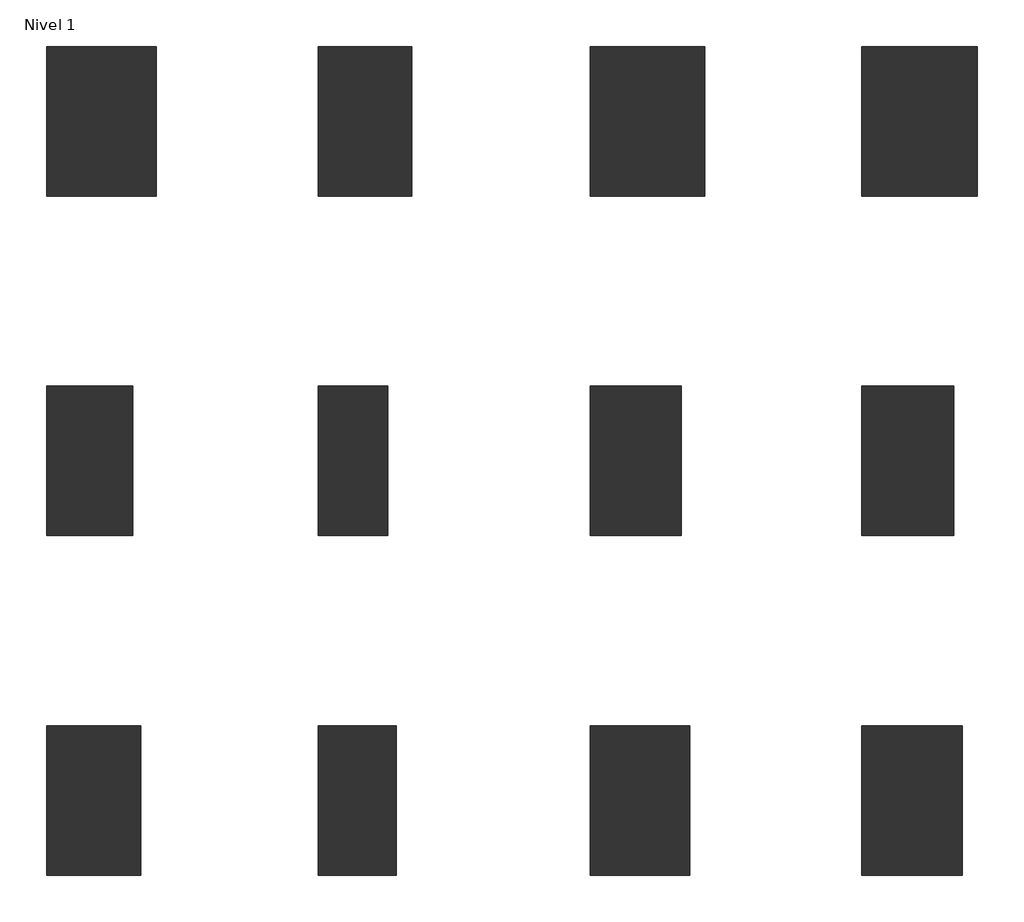
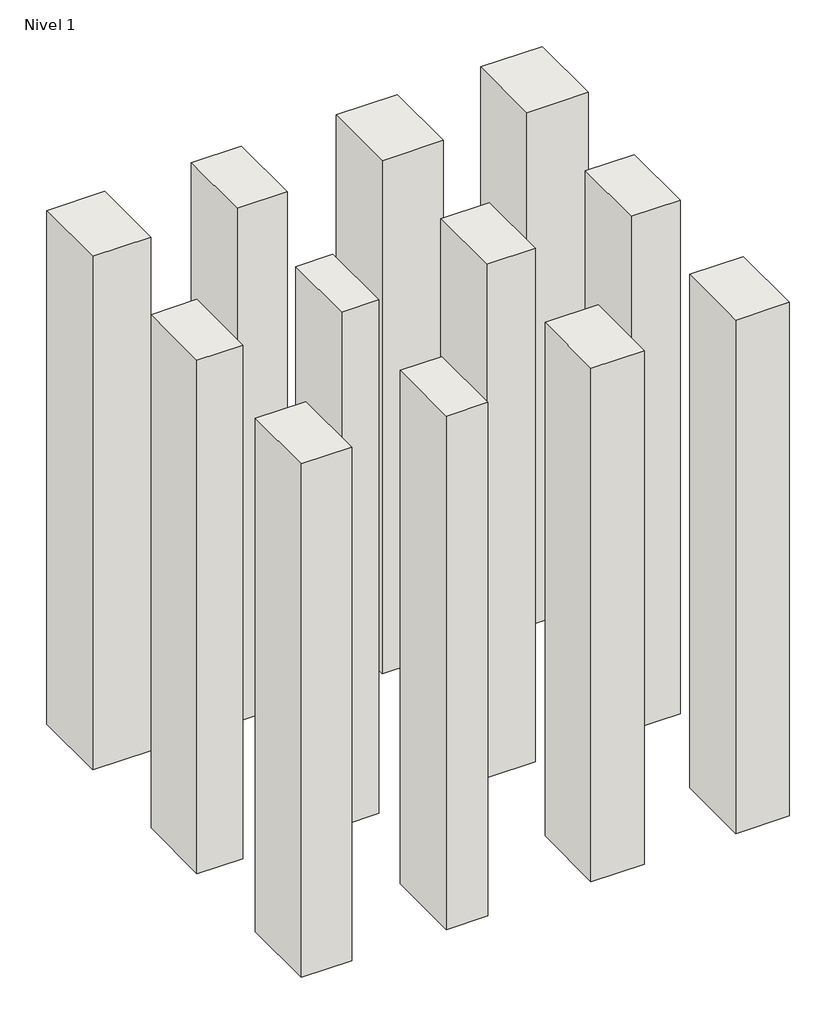
# One storey: 12 walls.
"""IFC4 building model written with IfcOpenShell, lengths in millimetres."""

from ifc_helpers import new_model, si_unit, origin, origin_with_axes, place, context, project, spatial, polyline, outline, extrude, element, save

model = new_model("IFC4")

# Units and contexts
model_context = context("Model", 3, world=origin())
ifc_project = project(units=[si_unit("LENGTHUNIT", "METRE", prefix="MILLI")], contexts=[model_context])

# Site, building, storey
site = spatial("IfcSite", under=ifc_project)
building = spatial("IfcBuilding", under=site)
storey = spatial("IfcBuildingStorey", under=building, Name="Nivel 1", Elevation=0.0)

# Walls
placement = place(None, origin())
element("IfcWall", 1, at=placement, inside=storey, context=model_context, shape_type="SweptSolid", body=[
    extrude(outline(polyline([(-839.5654034, -810.4108764), (-839.5654034, -370.4108764), (-586.5654034, -370.4108764), (-586.5654034, -810.4108764), (-839.5654034, -810.4108764)])), origin_with_axes(), (0.0, 0.0, 1.0), 3000.0),
])
element("IfcWall", 2, at=placement, inside=storey, context=model_context, shape_type="SweptSolid", body=[
    extrude(outline(polyline([(-839.5654034, 189.5891236), (-839.5654034, 629.5891236), (-516.5654034, 629.5891236), (-516.5654034, 189.5891236), (-839.5654034, 189.5891236)])), origin_with_axes(), (0.0, 0.0, 1.0), 3000.0),
])
element("IfcWall", 3, at=placement, inside=storey, context=model_context, shape_type="SweptSolid", body=[
    extrude(outline(polyline([(-839.5654034, -1810.4108764), (-839.5654034, -1370.4108764), (-561.5654034, -1370.4108764), (-561.5654034, -1810.4108764), (-839.5654034, -1810.4108764)])), origin_with_axes(), (0.0, 0.0, 1.0), 3000.0),
])
element("IfcWall", 4, at=placement, inside=storey, context=model_context, shape_type="SweptSolid", body=[
    extrude(outline(polyline([(-39.5654034, 189.5891236), (-39.5654034, 629.5891236), (235.4345966, 629.5891236), (235.4345966, 189.5891236), (-39.5654034, 189.5891236)])), origin_with_axes(), (0.0, 0.0, 1.0), 3000.0),
])
element("IfcWall", 5, at=placement, inside=storey, context=model_context, shape_type="SweptSolid", body=[
    extrude(outline(polyline([(-39.5654034, -810.4108764), (-39.5654034, -370.4108764), (165.4345966, -370.4108764), (165.4345966, -810.4108764), (-39.5654034, -810.4108764)])), origin_with_axes(), (0.0, 0.0, 1.0), 3000.0),
])
element("IfcWall", 6, at=placement, inside=storey, context=model_context, shape_type="SweptSolid", body=[
    extrude(outline(polyline([(-39.5654034, -1810.4108764), (-39.5654034, -1370.4108764), (190.4345966, -1370.4108764), (190.4345966, -1810.4108764), (-39.5654034, -1810.4108764)])), origin_with_axes(), (0.0, 0.0, 1.0), 3000.0),
])
element("IfcWall", 7, at=placement, inside=storey, context=model_context, shape_type="SweptSolid", body=[
    extrude(outline(polyline([(760.4345966, 189.5891236), (760.4345966, 629.5891236), (1098.4345966, 629.5891236), (1098.4345966, 189.5891236), (760.4345966, 189.5891236)])), origin_with_axes(), (0.0, 0.0, 1.0), 3000.0),
])
element("IfcWall", 8, at=placement, inside=storey, context=model_context, shape_type="SweptSolid", body=[
    extrude(outline(polyline([(760.4345966, -810.4108764), (760.4345966, -370.4108764), (1028.4345966, -370.4108764), (1028.4345966, -810.4108764), (760.4345966, -810.4108764)])), origin_with_axes(), (0.0, 0.0, 1.0), 3000.0),
])
element("IfcWall", 9, at=placement, inside=storey, context=model_context, shape_type="SweptSolid", body=[
    extrude(outline(polyline([(760.4345966, -1810.4108764), (760.4345966, -1370.4108764), (1053.4345966, -1370.4108764), (1053.4345966, -1810.4108764), (760.4345966, -1810.4108764)])), origin_with_axes(), (0.0, 0.0, 1.0), 3000.0),
])
element("IfcWall", 10, at=placement, inside=storey, context=model_context, shape_type="SweptSolid", body=[
    extrude(outline(polyline([(1560.4345966, 189.5891236), (1560.4345966, 629.5891236), (1900.4345966, 629.5891236), (1900.4345966, 189.5891236), (1560.4345966, 189.5891236)])), origin_with_axes(), (0.0, 0.0, 1.0), 3000.0),
])
element("IfcWall", 11, at=placement, inside=storey, context=model_context, shape_type="SweptSolid", body=[
    extrude(outline(polyline([(1560.4345966, -810.4108764), (1560.4345966, -370.4108764), (1830.4345966, -370.4108764), (1830.4345966, -810.4108764), (1560.4345966, -810.4108764)])), origin_with_axes(), (0.0, 0.0, 1.0), 3000.0),
])
element("IfcWall", 12, at=placement, inside=storey, context=model_context, shape_type="SweptSolid", body=[
    extrude(outline(polyline([(1560.4345966, -1810.4108764), (1560.4345966, -1370.4108764), (1855.4345966, -1370.4108764), (1855.4345966, -1810.4108764), (1560.4345966, -1810.4108764)])), origin_with_axes(), (0.0, 0.0, 1.0), 3000.0),
])

save(model, "model.ifc")
